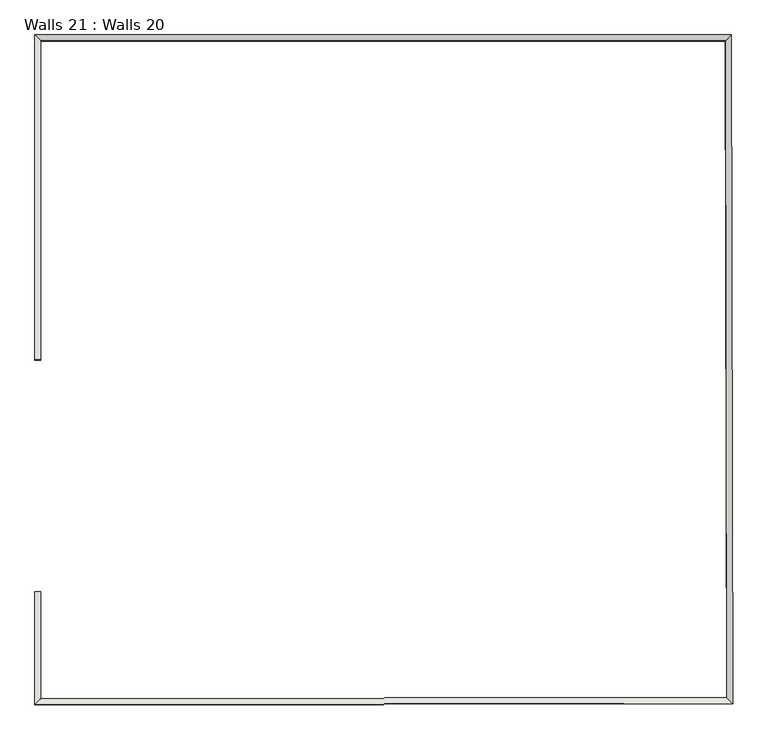
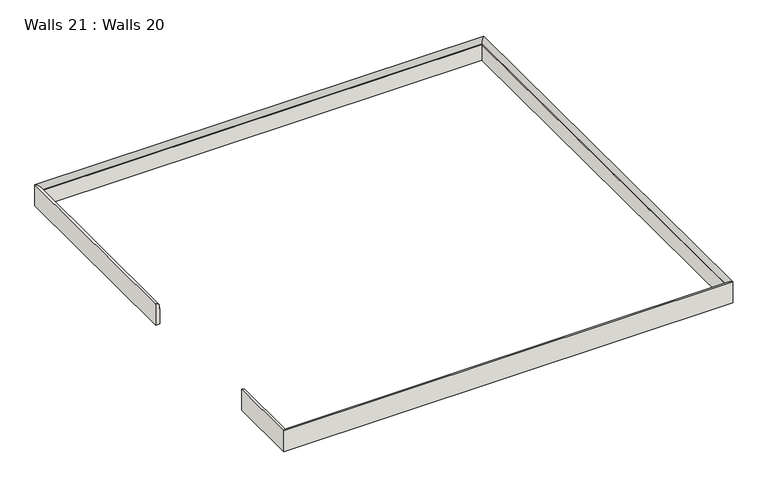
"""IFC4 building model written with IfcOpenShell, lengths in millimetres: wall geometry, Walls 21 : Walls 20."""

import ifcopenshell
import ifcopenshell.guid

model = None  # the IFC model being written
_history = None  # IfcOwnerHistory: only IFC2X3 demands one
_inside = {}  # id of a spatial element -> (the spatial element, [elements in it])
_under = {}  # id of a project, library or spatial element -> (it, [spatial elements below it])
_declared = {}  # id of a project -> (the project, [libraries it declares])
_typed = {}  # id of a type object -> (the type object, [elements of that type])
_made_of = {}  # id of a material, layer set ... -> (it, [elements and type objects made of it])


def new_model(schema):
    """Start an empty IFC model of exactly this schema.

    Asked for "IFC4X3", IfcOpenShell would pick the latest addendum, in which some entities
    have other attributes; the version numbers below select the first issue.
    IFC2X3 requires an IfcOwnerHistory on every rooted entity: one is made here for all.
    """
    global model, _history
    if schema == "IFC4X3":
        model = ifcopenshell.file(schema_version=(4, 3, 0, 0))
    else:
        model = ifcopenshell.file(schema=schema)
    _inside.clear()
    _under.clear()
    _declared.clear()
    _typed.clear()
    _made_of.clear()
    _history = None
    if model.schema == "IFC2X3":
        org = make("IfcOrganization", Name="unknown")
        user = make(
            "IfcPersonAndOrganization",
            ThePerson=make("IfcPerson", FamilyName="unknown"),
            TheOrganization=org,
        )
        app = make(
            "IfcApplication",
            ApplicationDeveloper=org,
            Version="unknown",
            ApplicationFullName="unknown",
            ApplicationIdentifier="unknown",
        )
        _history = make(
            "IfcOwnerHistory",
            OwningUser=user,
            OwningApplication=app,
            ChangeAction="ADDED",
            CreationDate=0,
        )
    return model


def make(cls, **values):
    """One entity of the class cls with the attributes given. An attribute that is None is left unset."""
    return model.create_entity(
        cls, **{name: value for name, value in values.items() if value is not None}
    )


def rooted(cls, **values):
    """An entity with a GlobalId (a new one), such as an element, a storey or a relation."""
    return make(cls, GlobalId=ifcopenshell.guid.new(), OwnerHistory=_history, **values)


def si_unit(unit_type, name, prefix=None):
    """IfcSIUnit, for example si_unit("LENGTHUNIT", "METRE", prefix="MILLI")."""
    return make("IfcSIUnit", UnitType=unit_type, Prefix=prefix, Name=name)


def assignment(units):
    """IfcUnitAssignment: the units of a project."""
    return None if units is None else make("IfcUnitAssignment", Units=units)


def point(xyz):
    """IfcCartesianPoint."""
    return None if xyz is None else make("IfcCartesianPoint", Coordinates=xyz)


def direction(xyz):
    """IfcDirection."""
    return None if xyz is None else make("IfcDirection", DirectionRatios=xyz)


def frame(location, z_axis=None, x_axis=None):
    """IfcAxis2Placement3D, a coordinate frame: its origin and axes. An axis left out is left unset."""
    return make(
        "IfcAxis2Placement3D",
        Location=point(location),
        Axis=direction(z_axis),
        RefDirection=direction(x_axis),
    )


def origin():
    """The frame at (0, 0, 0) with its axes left unset."""
    return frame((0.0, 0.0, 0.0))


def place(relative_to, where):
    """IfcLocalPlacement: puts the frame where relative to a parent placement (None: the world)."""
    return make(
        "IfcLocalPlacement", PlacementRelTo=relative_to, RelativePlacement=where
    )


def context(
    kind, dimensions, precision=None, world=None, true_north=None, identifier=None
):
    """IfcGeometricRepresentationContext, for example the 3D "Model" context."""
    return make(
        "IfcGeometricRepresentationContext",
        ContextIdentifier=identifier,
        ContextType=kind,
        CoordinateSpaceDimension=dimensions,
        Precision=precision,
        WorldCoordinateSystem=world,
        TrueNorth=true_north,
    )


def project(units=None, contexts=None):
    """IfcProject with its units and contexts."""
    return rooted(
        "IfcProject",
        Name="project",
        RepresentationContexts=contexts,
        UnitsInContext=assignment(units),
    )


def spatial(cls, under=None, at=None, **own):
    """A site, building, storey or space (cls), placed at a placement, below another one or the project."""
    s = rooted(cls, ObjectPlacement=at, **own)
    if under is not None:
        _under.setdefault(under.id(), (under, []))[1].append(s)
    return s


def circle_curve(where, radius):
    """IfcCircle in the frame where."""
    return make("IfcCircle", Position=where, Radius=radius)


def ellipse_curve(where, semi_axis1, semi_axis2):
    """IfcEllipse in the frame where."""
    return make(
        "IfcEllipse", Position=where, SemiAxis1=semi_axis1, SemiAxis2=semi_axis2
    )


def shape(context_of_items, identifier, shape_type, items):
    """IfcShapeRepresentation: the items that make up one representation, for example the "Body"."""
    return make(
        "IfcShapeRepresentation",
        ContextOfItems=context_of_items,
        RepresentationIdentifier=identifier,
        RepresentationType=shape_type,
        Items=items,
    )


def source(mapping_origin, context_of_items, identifier, shape_type, items):
    """IfcRepresentationMap: a shape defined once, which mapped items show again and again."""
    return make(
        "IfcRepresentationMap",
        MappingOrigin=mapping_origin,
        MappedRepresentation=shape(context_of_items, identifier, shape_type, items),
    )


def transform(
    local_origin,
    x_axis=None,
    y_axis=None,
    z_axis=None,
    scale=None,
    scale2=None,
    scale3=None,
    uniform=True,
):
    """IfcCartesianTransformationOperator3D, or its non-uniform kind. x_axis, y_axis, z_axis: its Axis1, 2, 3."""
    if uniform:
        return make(
            "IfcCartesianTransformationOperator3D",
            Axis1=direction(x_axis),
            Axis2=direction(y_axis),
            LocalOrigin=point(local_origin),
            Scale=scale,
            Axis3=direction(z_axis),
        )
    return make(
        "IfcCartesianTransformationOperator3DnonUniform",
        Axis1=direction(x_axis),
        Axis2=direction(y_axis),
        LocalOrigin=point(local_origin),
        Scale=scale,
        Axis3=direction(z_axis),
        Scale2=scale2,
        Scale3=scale3,
    )


def mapped(mapping_source, mapping_target):
    """IfcMappedItem: shows the shape of a source again, moved by a transform."""
    return make(
        "IfcMappedItem", MappingSource=mapping_source, MappingTarget=mapping_target
    )


def made_of(thing, what):
    """Note that an element or type object is made of a material, layer set ...; save() writes the relation."""
    if what is not None:
        _made_of.setdefault(what.id(), (what, []))[1].append(thing)
    return thing


def element(
    cls,
    number,
    at=None,
    inside=None,
    cuts=None,
    type_object=None,
    material=None,
    context=None,
    identifier="Body",
    shape_type=None,
    held_by="IfcProductDefinitionShape",
    body=None,
    shapes=None,
    **own,
):
    """One element of the class cls, such as IfcWall. Its Tag is "e" and its number.

    at: its placement. inside: the storey or other place that contains it. cuts: it is an
    opening in that element (IfcRelVoidsElement). A single representation is given by context,
    identifier, shape_type and body (its items); several are given by shapes. held_by: the class
    of the entity that holds the representations. save() writes the other relations.
    """
    e = rooted(cls, Tag="e%d" % number, ObjectPlacement=at, **own)
    if body is not None:
        shapes = [shape(context, identifier, shape_type, body)]
    if shapes is not None:
        e.Representation = make(held_by, Representations=shapes)
    if inside is not None:
        _inside.setdefault(inside.id(), (inside, []))[1].append(e)
    if cuts is not None:
        rooted(
            "IfcRelVoidsElement", RelatingBuildingElement=cuts, RelatedOpeningElement=e
        )
    if type_object is not None:
        _typed.setdefault(type_object.id(), (type_object, []))[1].append(e)
    return made_of(e, material)


def aggregate(whole, parts):
    """IfcRelAggregates: a whole, such as a stair, and the parts it consists of."""
    return rooted("IfcRelAggregates", RelatingObject=whole, RelatedObjects=parts)


def save(model, path):
    """Write the relations noted so far, then the file.

    IfcRelAggregates (storeys below a building ...), IfcRelContainedInSpatialStructure (elements
    in a storey), IfcRelDefinesByType, IfcRelAssociatesMaterial and IfcRelDeclares: one each for
    every whole, place, type object, material and project.
    """
    for whole, parts in _under.values():
        aggregate(whole, parts)
    for where, things in _inside.values():
        rooted(
            "IfcRelContainedInSpatialStructure",
            RelatedElements=things,
            RelatingStructure=where,
        )
    for kind, things in _typed.values():
        rooted("IfcRelDefinesByType", RelatedObjects=things, RelatingType=kind)
    for what, things in _made_of.values():
        rooted("IfcRelAssociatesMaterial", RelatedObjects=things, RelatingMaterial=what)
    for by, libraries in _declared.values():
        rooted("IfcRelDeclares", RelatingContext=by, RelatedDefinitions=libraries)
    model.write(path)


def plane_surface(at):
    """IfcPlane: the flat surface through the origin of the frame at, square to its z axis."""
    return make("IfcPlane", Position=at)


def cylinder_surface(at, radius):
    """IfcCylindricalSurface: all points at the distance radius from the z axis of the frame at."""
    return make("IfcCylindricalSurface", Position=at, Radius=radius)


def advanced_brep(points, edges, surfaces, faces):
    """IfcAdvancedBrep: a solid bounded by faces that lie on surfaces and meet in shared edges.

    An edge is (start, end): straight between two places in points (the first is 0);
    or (start, end, curve); or (start, end, curve, False) where it runs against its curve.
    A face is (place in surfaces, loops), or (place, loops, False) where it looks against
    its surface's normal. A loop lists edges by number (the first is 1), with a minus sign
    where the edge is run from its end to its start. The first loop is the outer one.
    """
    corners = [point(p) for p in points]
    vertices = [make("IfcVertexPoint", VertexGeometry=c) for c in corners]
    made = []
    for start, end, *more in edges:
        made.append(
            make(
                "IfcEdgeCurve",
                EdgeStart=vertices[start],
                EdgeEnd=vertices[end],
                EdgeGeometry=more[0] if more else make("IfcPolyline", Points=[corners[start], corners[end]]),
                SameSense=more[1] if len(more) > 1 else True,
            )
        )
    hull = []
    for where, loops, *sense in faces:
        bounds = []
        for j, loop in enumerate(loops):
            ring = [make("IfcOrientedEdge", EdgeElement=made[abs(k) - 1], Orientation=k > 0) for k in loop]
            bounds.append(
                make(
                    "IfcFaceOuterBound" if j == 0 else "IfcFaceBound",
                    Bound=make("IfcEdgeLoop", EdgeList=ring),
                    Orientation=True,
                )
            )
        hull.append(make("IfcAdvancedFace", Bounds=bounds, FaceSurface=surfaces[where], SameSense=sense[0] if sense else True))
    return make("IfcAdvancedBrep", Outer=make("IfcClosedShell", CfsFaces=hull))


def walls_21_walls_20_57550dfd(model_context):
    return source(origin(), model_context, "Body", "AdvancedBrep", [
        advanced_brep(
        [(-43461.7177946, 47684.5903212, 110822.6954971), (-43439.4329129, 47684.5903213, 110822.6955865), (-43439.4332932, 47684.8200648, 110917.5140826), (-43444.6111102, 47684.8200648, 110917.5140618), (-43461.7182989, 47684.8949834, 110948.4340365), (-43461.7177987, 46831.2034572, 110824.7632379), (-43461.7183031, 46831.5081194, 110950.5017773), (-43444.6111144, 46831.4332008, 110919.5818026), (-43439.4332974, 46831.4332008, 110919.5818234), (-43439.432917, 46831.2034573, 110824.7633273), (-43461.7177888, 48881.587824, 110819.795194), (-40894.6606662, 48881.5878365, 110819.805491), (-40890.5840325, 46419.0934761, 110825.7720863), (-43461.7178007, 46415.2960715, 110825.7709739), (-43439.4329189, 46437.6138255, 110825.7169878), (-40912.9057824, 46441.3453489, 110825.7180809), (-40916.9086862, 48859.3030201, 110819.8593974), (-43439.4329072, 48859.3030078, 110819.849279), (-43439.4332875, 48859.5327513, 110914.6677752), (-40916.9090665, 48859.5327636, 110914.6778935), (-40912.9061628, 46441.5750924, 110920.536577), (-43439.4332993, 46437.843569, 110920.5354839), (-43444.6111163, 46432.6581142, 110920.5480274), (-40907.7197795, 46436.4049449, 110920.5491249), (-40911.7398142, 48864.7105654, 110914.6653685), (-43444.6111045, 48864.7105531, 110914.6552087), (-43461.7182931, 48881.8924862, 110945.5337333), (-40894.6611706, 48881.8924987, 110945.5440303), (-40890.5845368, 46419.3981383, 110951.5106257), (-43461.7183051, 46415.6007337, 110951.5095133)],
        [
            (0, 1),
            (1, 2),
            (2, 3),
            (3, 4, circle_curve(frame((-43458.8969924, 47684.8498396, 110929.8025474), z_axis=(-4.8595363371008235e-09, -0.9999970645925714, 0.002422974667773792), x_axis=(-0.9999999999919551, -4.859536451510399e-09, -4.011209301161417e-06)), 18.8439432)),
            (4, 0),
            (5, 6),
            (6, 7, circle_curve(frame((-43458.8969966, 46831.4629757, 110931.8702882), z_axis=(4.859578247082987e-09, 0.9999970645925713, -0.002422974667773791), x_axis=(-0.9999999999919551, -4.859494541654243e-09, -4.011209301264197e-06)), 18.8439432)),
            (7, 8),
            (8, 9),
            (9, 5),
            (0, 10),
            (10, 11),
            (11, 12),
            (12, 13),
            (13, 5),
            (9, 14),
            (14, 15),
            (15, 16),
            (16, 17),
            (17, 1),
            (17, 18),
            (18, 2),
            (18, 19),
            (19, 20),
            (20, 21),
            (21, 8),
            (7, 22),
            (22, 23),
            (23, 24),
            (24, 25),
            (25, 3),
            (25, 26, ellipse_curve(frame((-43458.8969866, 48879.026119, 110926.90908), z_axis=(-0.70710678461707, -0.7071047089762604, 0.0017104654649284607), x_axis=(0.7071067777446478, -0.7071047021038379, 0.0017161381715236799)), 26.64936, 18.8439432)),
            (26, 4),
            (26, 10),
            (16, 19),
            (24, 27, ellipse_curve(frame((-40897.4776609, 48879.0261314, 110926.9193544), z_axis=(-0.7076918388573242, 0.706519158228592, -0.0017147217561918988), x_axis=(-0.7065212390286998, -0.7076897683658578, 0.0017118854019226143)), 26.6273285, 18.8439432)),
            (27, 26),
            (27, 11),
            (15, 20),
            (23, 28, ellipse_curve(frame((-40893.4103613, 46422.1700474, 110932.8722883), z_axis=(0.7059984385851895, 0.7082113172127598, -0.0017131512023443166), x_axis=(-0.708213389240266, 0.7059963593146406, -0.0017134571160025568)), 26.6517395, 18.8439432)),
            (28, 27),
            (28, 12),
            (14, 21),
            (22, 29, ellipse_curve(frame((-43458.8969986, 46418.3809833, 110932.8711783), z_axis=(0.7076287606937992, -0.7065823350778975, 0.0017148745795262377), x_axis=(0.7065844160628426, 0.7076266903881062, -0.001711732311714737)), 26.6690615, 18.8439432)),
            (29, 28),
            (29, 13),
            (6, 29),
        ],
        [
            plane_surface(frame((-43458.4413703, 47684.4696447, 110772.8905346), z_axis=(-4.8595363371008235e-09, -0.9999970645925714, 0.002422974667773792), x_axis=(-4.011209301161417e-06, 0.002422974667773792, 0.9999970645845265))),
            plane_surface(frame((-43458.4413745, 46831.0827807, 110774.9582754), z_axis=(4.8595784310107784e-09, 0.9999970645925713, -0.002422974667773793), x_axis=(-4.011209301160981e-06, 0.002422974667773793, 0.9999970645845264))),
            plane_surface(frame((-43461.7177946, 47684.5903212, 110822.6954971), z_axis=(4.011209301161555e-06, -0.0024229746677788015, -0.9999970645845264), x_axis=(4.859534451905204e-09, 0.9999970645925713, -0.0024229746677788015))),
            plane_surface(frame((-43439.4329129, 47684.5903213, 110822.6955865), z_axis=(0.9999999999919552, 4.859539379924807e-09, 4.011209301154184e-06), x_axis=(4.8595334086968036e-09, 0.9999970645925713, -0.002422974667778608))),
            plane_surface(frame((-43439.4332932, 47684.8200648, 110917.5140826), z_axis=(-4.011209301161557e-06, 0.0024229746677786263, 0.9999970645845264), x_axis=(4.859533408696839e-09, 0.9999970645925713, -0.0024229746677786263))),
            cylinder_surface(frame((-43458.8969924, 47684.8498396, 110929.8025474), z_axis=(-4.8595363371008235e-09, -0.9999970645925714, 0.002422974667773792), x_axis=(-0.9999999999919551, -4.859536451510399e-09, -4.011209301161417e-06)), 18.8439432),
            plane_surface(frame((-43461.7182989, 47684.8949834, 110948.4340365), z_axis=(-0.9999999999919551, -4.859538336720241e-09, -4.01120930115671e-06), x_axis=(4.859534451905204e-09, 0.9999970645925713, -0.0024229746677788015))),
            plane_surface(frame((-43439.4329072, 48859.3030078, 110819.849279), z_axis=(-4.8595363152112505e-09, -0.9999970645925713, 0.0024229746677737916), x_axis=(0.9999999999919551, 4.859536476891212e-09, 4.011209302602277e-06))),
            cylinder_surface(frame((-43458.4419939, 48879.026119, 110926.9090818), z_axis=(-0.9999999999919551, -4.859536578358327e-09, -4.0112093011609706e-06), x_axis=(4.859536210252186e-09, 0.9999970645925713, -0.002422974667773792)), 18.8439432),
            plane_surface(frame((-43461.7182931, 48881.8924862, 110945.5337333), z_axis=(4.859536477686558e-09, 0.9999970645925714, -0.0024229746677737925), x_axis=(0.9999999999919552, 4.859536309590806e-09, 4.0112093006110835e-06))),
            plane_surface(frame((-40916.9086862, 48859.3030201, 110819.8593974), z_axis=(-0.9999986296799516, -0.0016554873056991222, 0.0), x_axis=(0.0016554824461560687, -0.9999956942685003, 0.0024229779880256654))),
            cylinder_surface(frame((-40897.476909, 48878.5718932, 110926.920455), z_axis=(-0.0016554824461540829, 0.9999956942685003, -0.0024229779880291067), x_axis=(0.9999986296799515, 0.0016554873056971364, 0.0)), 18.8439432),
            plane_surface(frame((-40894.6611706, 48881.8924987, 110945.5440303), z_axis=(0.9999986296799515, 0.0016554873056974363, 0.0), x_axis=(0.001655482446154383, -0.9999956942685003, 0.002422977988030389))),
            plane_surface(frame((-40912.9057824, 46441.3453489, 110825.7180809), z_axis=(-0.0014769307977617956, 0.9999959739185331, -0.0024229779494059052), x_axis=(-0.9999989093290697, -0.001476936181427969, -4.326272441547502e-07))),
            cylinder_surface(frame((-40893.8654348, 46422.1693753, 110932.8722881), z_axis=(0.9999989093290697, 0.0014769361814253555, 4.326272426796777e-07), x_axis=(0.0014769307977591855, -0.999995973918533, 0.0024229779494059044)), 18.8439432),
            plane_surface(frame((-40890.5845368, 46419.3981383, 110951.5106257), z_axis=(0.0014769307977607036, -0.9999959739185331, 0.0024229779494059057), x_axis=(-0.9999989093290697, -0.0014769361814268732, -4.326272425039732e-07))),
            plane_surface(frame((-43439.4329189, 46437.6138255, 110825.7169878), z_axis=(0.9999999999919551, 4.859504762683683e-09, 4.0112093012376245e-06), x_axis=(4.8595680260615666e-09, 0.9999970645925713, -0.0024229746677843617))),
            cylinder_surface(frame((-43458.8969986, 46418.8366471, 110932.8700743), z_axis=(-4.859578247082987e-09, -0.9999970645925713, 0.002422974667773791), x_axis=(-0.9999999999919551, -4.859494541654243e-09, -4.011209301264197e-06)), 18.8439432),
            plane_surface(frame((-43461.7183051, 46415.6007337, 110951.5095133), z_axis=(-0.9999999999919552, -4.859492716262902e-09, -4.011209301266812e-06), x_axis=(4.859580072447046e-09, 0.9999970645925714, -0.0024229746677667456))),
        ],
        [
            (0, [[1, 2, 3, 4, 5]]),
            (1, [[6, 7, 8, 9, 10]]),
            (2, [[-1, 11, 12, 13, 14, 15, -10, 16, 17, 18, 19, 20]]),
            (3, [[-2, -20, 21, 22]]),
            (4, [[-3, -22, 23, 24, 25, 26, -8, 27, 28, 29, 30, 31]]),
            (5, [[-4, -31, 32, 33]]),
            (6, [[-5, -33, 34, -11]]),
            (7, [[-21, -19, 35, -23]]),
            (8, [[-32, -30, 36, 37]]),
            (9, [[-34, -37, 38, -12]]),
            (10, [[-35, -18, 39, -24]]),
            (11, [[-36, -29, 40, 41]]),
            (12, [[-38, -41, 42, -13]]),
            (13, [[-39, -17, 43, -25]]),
            (14, [[-40, -28, 44, 45]]),
            (15, [[-42, -45, 46, -14]]),
            (16, [[-43, -16, -9, -26]]),
            (17, [[-44, -27, -7, 47]]),
            (18, [[-46, -47, -6, -15]]),
        ],
    ),
    ])


if __name__ == "__main__":
    model = new_model("IFC4")
    model_context = context("Model", 3, world=origin())
    ifc_project = project(units=[si_unit("LENGTHUNIT", "METRE", prefix="MILLI")], contexts=[model_context])
    site = spatial("IfcSite", under=ifc_project)
    building = spatial("IfcBuilding", under=site)
    placement = place(None, origin())
    walls_21_walls_20_shape = walls_21_walls_20_57550dfd(model_context)
    element("IfcWall", 1, ObjectType="Walls 21 : Walls 20", at=placement, inside=building, context=model_context, shape_type="MappedRepresentation", body=[
        mapped(walls_21_walls_20_shape, transform((0.0, 0.0, 0.0), x_axis=(1.0, 0.0, 0.0), y_axis=(0.0, 1.0, 0.0), z_axis=(0.0, 0.0, 1.0))),
    ])
    save(model, "model.ifc")
